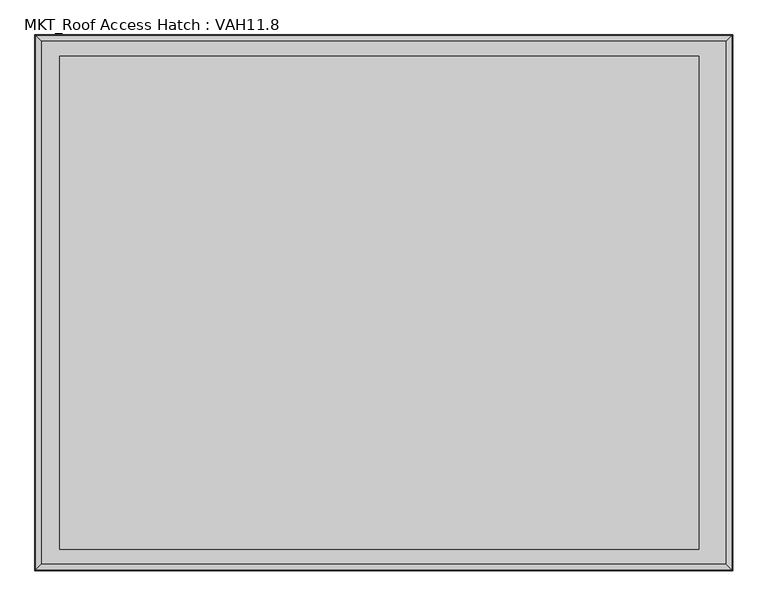
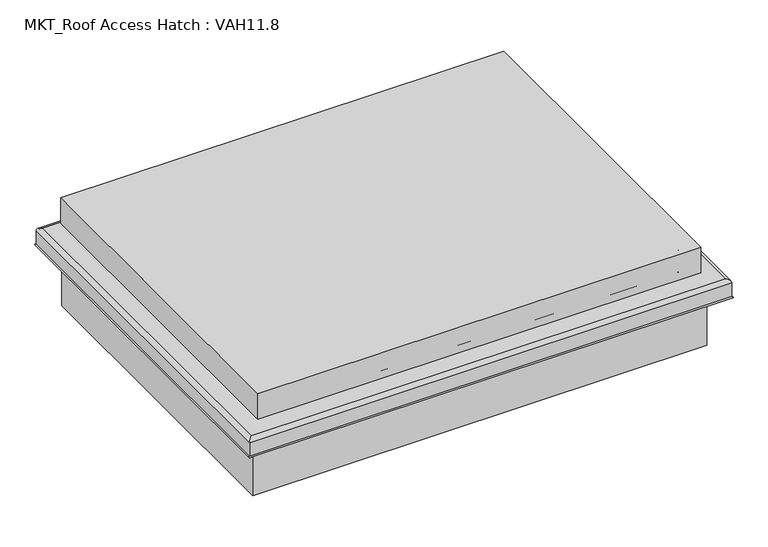
"""IFC4 building model written with IfcOpenShell, lengths in millimetres: proxy geometry, MKT_Roof Access Hatch : VAH11.8."""

from ifc_helpers import new_model, si_unit, point, frame, frame_2d, origin, origin_with_axes, place, context, project, spatial, polyline, circle_curve, ellipse_curve, trimmed, segment, composite_curve, outline, extrude, faceted_brep, source, transform, mapped, element, save
from ifc_brep_helpers import plane_surface, cylinder_surface, revolved_surface, advanced_brep


def mkt_roof_access_hatch_vah11_8_9d1d9c58(model_context):
    return source(origin(), model_context, "Body", "SolidModel", [
        faceted_brep([(581.6, -455.0, 292.0), (581.6, 455.0, 292.0), (-598.4, 455.0, 292.0), (-598.4, -455.0, 292.0), (581.6, -455.0, 220.0), (-598.4, -455.0, 220.0), (-598.4, 455.0, 220.0), (581.6, 455.0, 220.0), (576.6, -450.0, 220.0), (576.6, 450.0, 220.0), (-593.4, 450.0, 220.0), (-593.4, -450.0, 220.0), (576.6, -450.0, 268.0), (-593.4, -450.0, 268.0), (-593.4, 450.0, 268.0), (576.6, 450.0, 268.0)], [[[0, 1, 2, 3]], [[4, 5, 6, 7], [8, 9, 10, 11]], [[1, 0, 4, 7]], [[2, 1, 7, 6]], [[3, 2, 6, 5]], [[0, 3, 5, 4]], [[12, 13, 14, 15]], [[12, 15, 9, 8]], [[15, 14, 10, 9]], [[14, 13, 11, 10]], [[13, 12, 8, 11]]]),
        extrude(outline(composite_curve([segment(polyline([(261.5, 563.4), (261.5, 554.5), (259.5, 554.5), (259.5, 563.4)]), True, "CONTINUOUS"), segment(trimmed(circle_curve(frame_2d((256.9, 563.4)), 2.6), [point((259.5, 563.4))], [point((256.9, 566.0))], True, "CARTESIAN"), True, "CONTINUOUS"), segment(polyline([(256.9, 566.0), (207.1, 566.0)]), True, "CONTINUOUS"), segment(trimmed(circle_curve(frame_2d((207.1, 563.4)), 2.6), [point((207.1, 566.0))], [point((204.5, 563.4))], True, "CARTESIAN"), True, "CONTINUOUS"), segment(polyline([(204.5, 563.4), (204.5, 554.5), (202.5, 554.5), (202.5, 563.4)]), True, "CONTINUOUS"), segment(trimmed(circle_curve(frame_2d((207.1, 563.4)), 4.6), [point((202.5, 563.4))], [point((207.1, 568.0))], False, "CARTESIAN"), True, "CONTINUOUS"), segment(polyline([(207.1, 568.0), (256.9, 568.0)]), True, "CONTINUOUS"), segment(trimmed(circle_curve(frame_2d((256.9, 563.4)), 4.6), [point((256.9, 568.0))], [point((261.5, 563.4))], False, "CARTESIAN"), True, "CONTINUOUS")], self_intersect=False)), frame((0.0, -410.0, 0.0), z_axis=(0.0, 1.0, 0.0), x_axis=(0.0, 0.0, 1.0)), (0.0, 0.0, 1.0), 820.0),
        extrude(outline(polyline([(605.0, 439.4933468), (605.0, -442.0066532), (-605.0, -442.0066532), (-605.0, 439.4933468), (605.0, 439.4933468)]), holes=[polyline([(560.0, 410.0), (-560.0, 410.0), (-560.0, -410.0), (560.0, -410.0), (560.0, 410.0)])]), origin_with_axes(), (0.0, 0.0, 1.0), 199.5),
        advanced_brep(
        [(555.0, 405.0, 265.0), (550.0, 400.0, 260.0), (550.0, -400.0, 260.0), (555.0, -405.0, 265.0), (564.6688612, 414.6688612, 262.5), (566.25, 416.25, 265.0), (566.25, -416.25, 265.0), (564.6688612, -414.6688612, 262.5), (552.5, 402.5, 260.0), (555.0, 405.0, 262.5), (555.0, -405.0, 262.5), (552.5, -402.5, 260.0), (552.5, 402.5, 205.5), (552.5, -402.5, 205.5), (555.5, 405.5, 202.5), (555.5, -405.5, 202.5), (642.5, 492.5, 192.5), (632.5, 482.5, 202.5), (632.5, -482.5, 202.5), (642.5, -492.5, 192.5), (642.5, 492.5, 154.9494897), (642.5, -492.5, 154.9494897), (639.5, 489.5, 152.5), (639.5, -489.5, 152.5), (639.5, 489.5, 192.5), (639.5, -489.5, 192.5), (632.5, 482.5, 199.5), (632.5, -482.5, 199.5), (552.5, 402.5, 198.5), (553.5, 403.5, 199.5), (553.5, -403.5, 199.5), (552.5, -402.5, 198.5), (552.5, 402.5, 150.0), (552.5, -402.5, 150.0), (550.0, 400.0, 150.0), (550.0, -400.0, 150.0), (-550.0, -400.0, 260.0), (-555.0, -405.0, 265.0), (-566.25, -416.25, 265.0), (-564.6688612, -414.6688612, 262.5), (-555.0, -405.0, 262.5), (-552.5, -402.5, 260.0), (-552.5, -402.5, 205.5), (-555.5, -405.5, 202.5), (-632.5, -482.5, 202.5), (-642.5, -492.5, 192.5), (-642.5, -492.5, 154.9494897), (-639.5, -489.5, 152.5), (-639.5, -489.5, 192.5), (-632.5, -482.5, 199.5), (-553.5, -403.5, 199.5), (-552.5, -402.5, 198.5), (-552.5, -402.5, 150.0), (-550.0, -400.0, 150.0), (-550.0, 400.0, 260.0), (-555.0, 405.0, 265.0), (-566.25, 416.25, 265.0), (-564.6688612, 414.6688612, 262.5), (-555.0, 405.0, 262.5), (-552.5, 402.5, 260.0), (-552.5, 402.5, 205.5), (-555.5, 405.5, 202.5), (-632.5, 482.5, 202.5), (-642.5, 492.5, 192.5), (-642.5, 492.5, 154.9494897), (-639.5, 489.5, 152.5), (-639.5, 489.5, 192.5), (-632.5, 482.5, 199.5), (-553.5, 403.5, 199.5), (-552.5, 402.5, 198.5), (-552.5, 402.5, 150.0), (-550.0, 400.0, 150.0)],
        [
            (0, 1, ellipse_curve(frame((555.0, 405.0, 260.0), z_axis=(0.7071067811865475, -0.7071067811865475, 0.0), x_axis=(0.7071067811865474, 0.7071067811865476, 0.0)), 7.0710678, 5.0)),
            (1, 2),
            (2, 3, ellipse_curve(frame((555.0, -405.0, 260.0), z_axis=(0.7071067811865475, 0.7071067811865475, 0.0), x_axis=(-0.7071067811865474, 0.7071067811865476, 0.0)), 7.0710678, 5.0)),
            (3, 0),
            (4, 5, ellipse_curve(frame((566.25, 416.25, 263.25), z_axis=(0.7071067811865475, -0.7071067811865475, 0.0), x_axis=(0.7071067811865474, 0.7071067811865476, 0.0)), 2.4748737, 1.75)),
            (5, 6),
            (6, 7, ellipse_curve(frame((566.25, -416.25, 263.25), z_axis=(0.7071067811865475, 0.7071067811865475, 0.0), x_axis=(-0.7071067811865474, 0.7071067811865476, 0.0)), 2.4748737, 1.75)),
            (7, 4),
            (8, 9, ellipse_curve(frame((555.0, 405.0, 260.0), z_axis=(-0.7071067811865475, 0.7071067811865475, 0.0), x_axis=(-0.7071067811865474, -0.7071067811865476, 0.0)), 3.5355339, 2.5)),
            (9, 10),
            (10, 11, ellipse_curve(frame((555.0, -405.0, 260.0), z_axis=(-0.7071067811865475, -0.7071067811865475, 0.0), x_axis=(0.7071067811865474, -0.7071067811865476, 0.0)), 3.5355339, 2.5)),
            (11, 8),
            (12, 8),
            (11, 13),
            (13, 12),
            (14, 12, ellipse_curve(frame((555.5, 405.5, 205.5), z_axis=(-0.7071067811865475, 0.7071067811865475, 0.0), x_axis=(-0.7071067811865474, -0.7071067811865476, 0.0)), 4.2426407, 3.0)),
            (13, 15, ellipse_curve(frame((555.5, -405.5, 205.5), z_axis=(-0.7071067811865475, -0.7071067811865475, 0.0), x_axis=(0.7071067811865474, -0.7071067811865476, 0.0)), 4.2426407, 3.0)),
            (15, 14),
            (16, 17, ellipse_curve(frame((632.5, 482.5, 192.5), z_axis=(0.7071067811865475, -0.7071067811865475, 0.0), x_axis=(0.7071067811865474, 0.7071067811865476, 0.0)), 14.1421356, 10.0)),
            (17, 18),
            (18, 19, ellipse_curve(frame((632.5, -482.5, 192.5), z_axis=(0.7071067811865475, 0.7071067811865475, 0.0), x_axis=(-0.7071067811865474, 0.7071067811865476, 0.0)), 14.1421356, 10.0)),
            (19, 16),
            (20, 16),
            (19, 21),
            (21, 20),
            (22, 20, ellipse_curve(frame((642.0, 492.0, 152.5), z_axis=(0.7071067811865475, -0.7071067811865475, 0.0), x_axis=(0.7071067811865474, 0.7071067811865476, 0.0)), 3.5355339, 2.5)),
            (21, 23, ellipse_curve(frame((642.0, -492.0, 152.5), z_axis=(0.7071067811865475, 0.7071067811865475, 0.0), x_axis=(-0.7071067811865474, 0.7071067811865476, 0.0)), 3.5355339, 2.5)),
            (23, 22),
            (24, 22),
            (23, 25),
            (25, 24),
            (26, 24, ellipse_curve(frame((632.5, 482.5, 192.5), z_axis=(-0.7071067811865475, 0.7071067811865475, 0.0), x_axis=(-0.7071067811865474, -0.7071067811865476, 0.0)), 9.8994949, 7.0)),
            (25, 27, ellipse_curve(frame((632.5, -482.5, 192.5), z_axis=(-0.7071067811865475, -0.7071067811865475, 0.0), x_axis=(0.7071067811865474, -0.7071067811865476, 0.0)), 9.8994949, 7.0)),
            (27, 26),
            (28, 29, ellipse_curve(frame((553.5, 403.5, 198.5), z_axis=(-0.7071067811865475, 0.7071067811865475, 0.0), x_axis=(-0.7071067811865474, -0.7071067811865476, 0.0)), 1.4142136, 1.0)),
            (29, 30),
            (30, 31, ellipse_curve(frame((553.5, -403.5, 198.5), z_axis=(-0.7071067811865475, -0.7071067811865475, 0.0), x_axis=(0.7071067811865474, -0.7071067811865476, 0.0)), 1.4142136, 1.0)),
            (31, 28),
            (32, 28),
            (31, 33),
            (33, 32),
            (1, 34),
            (34, 35),
            (35, 2),
            (2, 36),
            (36, 37, ellipse_curve(frame((-555.0, -405.0, 260.0), z_axis=(0.7071067811865475, -0.7071067811865475, 0.0), x_axis=(0.7071067811865476, 0.7071067811865474, 0.0)), 7.0710678, 5.0)),
            (37, 3),
            (6, 38),
            (38, 39, ellipse_curve(frame((-566.25, -416.25, 263.25), z_axis=(0.7071067811865475, -0.7071067811865475, 0.0), x_axis=(0.7071067811865476, 0.7071067811865474, 0.0)), 2.4748737, 1.75)),
            (39, 7),
            (10, 40),
            (40, 41, ellipse_curve(frame((-555.0, -405.0, 260.0), z_axis=(-0.7071067811865475, 0.7071067811865475, 0.0), x_axis=(-0.7071067811865476, -0.7071067811865474, 0.0)), 3.5355339, 2.5)),
            (41, 11),
            (41, 42),
            (42, 13),
            (42, 43, ellipse_curve(frame((-555.5, -405.5, 205.5), z_axis=(-0.7071067811865475, 0.7071067811865475, 0.0), x_axis=(-0.7071067811865476, -0.7071067811865474, 0.0)), 4.2426407, 3.0)),
            (43, 15),
            (18, 44),
            (44, 45, ellipse_curve(frame((-632.5, -482.5, 192.5), z_axis=(0.7071067811865475, -0.7071067811865475, 0.0), x_axis=(0.7071067811865476, 0.7071067811865474, 0.0)), 14.1421356, 10.0)),
            (45, 19),
            (45, 46),
            (46, 21),
            (46, 47, ellipse_curve(frame((-642.0, -492.0, 152.5), z_axis=(0.7071067811865475, -0.7071067811865475, 0.0), x_axis=(0.7071067811865476, 0.7071067811865474, 0.0)), 3.5355339, 2.5)),
            (47, 23),
            (47, 48),
            (48, 25),
            (48, 49, ellipse_curve(frame((-632.5, -482.5, 192.5), z_axis=(-0.7071067811865475, 0.7071067811865475, 0.0), x_axis=(-0.7071067811865476, -0.7071067811865474, 0.0)), 9.8994949, 7.0)),
            (49, 27),
            (30, 50),
            (50, 51, ellipse_curve(frame((-553.5, -403.5, 198.5), z_axis=(-0.7071067811865475, 0.7071067811865475, 0.0), x_axis=(-0.7071067811865476, -0.7071067811865474, 0.0)), 1.4142136, 1.0)),
            (51, 31),
            (51, 52),
            (52, 33),
            (35, 53),
            (53, 36),
            (36, 54),
            (54, 55, ellipse_curve(frame((-555.0, 405.0, 260.0), z_axis=(-0.7071067811865475, -0.7071067811865475, 0.0), x_axis=(0.7071067811865474, -0.7071067811865476, 0.0)), 7.0710678, 5.0)),
            (55, 37),
            (38, 56),
            (56, 57, ellipse_curve(frame((-566.25, 416.25, 263.25), z_axis=(-0.7071067811865475, -0.7071067811865475, 0.0), x_axis=(0.7071067811865474, -0.7071067811865476, 0.0)), 2.4748737, 1.75)),
            (57, 39),
            (40, 58),
            (58, 59, ellipse_curve(frame((-555.0, 405.0, 260.0), z_axis=(0.7071067811865475, 0.7071067811865475, 0.0), x_axis=(-0.7071067811865474, 0.7071067811865476, 0.0)), 3.5355339, 2.5)),
            (59, 41),
            (59, 60),
            (60, 42),
            (60, 61, ellipse_curve(frame((-555.5, 405.5, 205.5), z_axis=(0.7071067811865475, 0.7071067811865475, 0.0), x_axis=(-0.7071067811865474, 0.7071067811865476, 0.0)), 4.2426407, 3.0)),
            (61, 43),
            (44, 62),
            (62, 63, ellipse_curve(frame((-632.5, 482.5, 192.5), z_axis=(-0.7071067811865475, -0.7071067811865475, 0.0), x_axis=(0.7071067811865474, -0.7071067811865476, 0.0)), 14.1421356, 10.0)),
            (63, 45),
            (63, 64),
            (64, 46),
            (64, 65, ellipse_curve(frame((-642.0, 492.0, 152.5), z_axis=(-0.7071067811865475, -0.7071067811865475, 0.0), x_axis=(0.7071067811865474, -0.7071067811865476, 0.0)), 3.5355339, 2.5)),
            (65, 47),
            (65, 66),
            (66, 48),
            (66, 67, ellipse_curve(frame((-632.5, 482.5, 192.5), z_axis=(0.7071067811865475, 0.7071067811865475, 0.0), x_axis=(-0.7071067811865474, 0.7071067811865476, 0.0)), 9.8994949, 7.0)),
            (67, 49),
            (50, 68),
            (68, 69, ellipse_curve(frame((-553.5, 403.5, 198.5), z_axis=(0.7071067811865475, 0.7071067811865475, 0.0), x_axis=(-0.7071067811865474, 0.7071067811865476, 0.0)), 1.4142136, 1.0)),
            (69, 51),
            (69, 70),
            (70, 52),
            (53, 71),
            (71, 54),
            (54, 1),
            (0, 55),
            (5, 56),
            (4, 57),
            (9, 58),
            (8, 59),
            (12, 60),
            (14, 61),
            (17, 62),
            (16, 63),
            (20, 64),
            (22, 65),
            (24, 66),
            (26, 67),
            (29, 68),
            (28, 69),
            (32, 70),
            (34, 71),
        ],
        [
            cylinder_surface(frame((555.0, 494.5, 260.0), z_axis=(0.0, 1.0, 0.0), x_axis=(-1.0, 0.0, 0.0)), 5.0),
            cylinder_surface(frame((566.25, 494.5, 263.25), z_axis=(0.0, 1.0, 0.0), x_axis=(-1.0, 0.0, 0.0)), 1.75),
            revolved_surface(polyline([(552.5, -407.49999999580496, 260.0), (552.5, 407.49999999580496, 260.0)]), (555.0, 494.5, 260.0), (0.0, -1.0, 0.0)),
            plane_surface(frame((552.5, 402.5, 260.0), z_axis=(1.0, 0.0, 0.0), x_axis=(0.0, -1.0, 0.0))),
            revolved_surface(polyline([(552.5, -408.500000009108, 205.5), (552.5, 408.500000009108, 205.5)]), (555.5, 494.5, 205.5), (0.0, -1.0, 0.0)),
            cylinder_surface(frame((632.5, 494.5, 192.5), z_axis=(0.0, 1.0, 0.0), x_axis=(-1.0, 0.0, 0.0)), 10.0),
            plane_surface(frame((642.5, 492.5, 192.5), z_axis=(1.0, 0.0, 0.0), x_axis=(0.0, -1.0, 0.0))),
            cylinder_surface(frame((642.0, 494.5, 152.5), z_axis=(0.0, 1.0, 0.0), x_axis=(-1.0, 0.0, 0.0)), 2.5),
            plane_surface(frame((639.5, 489.5, 152.5), z_axis=(-1.0, 0.0, 0.0), x_axis=(0.0, -1.0, 0.0))),
            revolved_surface(polyline([(625.5, -489.5, 192.5), (625.5, 489.5, 192.5)]), (632.5, 494.5, 192.5), (0.0, -1.0, 0.0)),
            revolved_surface(polyline([(552.5, -404.50000002660624, 198.5), (552.5, 404.50000002660624, 198.5)]), (553.5, 494.5, 198.5), (0.0, -1.0, 0.0)),
            plane_surface(frame((552.5, 402.5, 198.5), z_axis=(1.0, 0.0, 0.0), x_axis=(0.0, -1.0, 0.0))),
            plane_surface(frame((550.0, 400.0, 150.0), z_axis=(-1.0, 0.0, 0.0), x_axis=(0.0, -1.0, 0.0))),
            cylinder_surface(frame((644.5, -405.0, 260.0), z_axis=(1.0, 0.0, 0.0), x_axis=(0.0, 1.0, 0.0)), 5.0),
            cylinder_surface(frame((644.5, -416.25, 263.25), z_axis=(1.0, 0.0, 0.0), x_axis=(0.0, 1.0, 0.0)), 1.75),
            revolved_surface(polyline([(-557.499999995805, -402.5, 260.0), (557.499999995805, -402.5, 260.0)]), (644.5, -405.0, 260.0), (-1.0, 0.0, 0.0)),
            plane_surface(frame((552.5, -402.5, 260.0), z_axis=(0.0, -1.0, 0.0), x_axis=(-1.0, 0.0, 0.0))),
            revolved_surface(polyline([(-558.5000000091081, -402.5, 205.5), (558.500000009108, -402.5, 205.5)]), (644.5, -405.5, 205.5), (-1.0, 0.0, 0.0)),
            cylinder_surface(frame((644.5, -482.5, 192.5), z_axis=(1.0, 0.0, 0.0), x_axis=(0.0, 1.0, 0.0)), 10.0),
            plane_surface(frame((642.5, -492.5, 192.5), z_axis=(0.0, -1.0, 0.0), x_axis=(-1.0, 0.0, 0.0))),
            cylinder_surface(frame((644.5, -492.0, 152.5), z_axis=(1.0, 0.0, 0.0), x_axis=(0.0, 1.0, 0.0)), 2.5),
            plane_surface(frame((639.5, -489.5, 152.5), z_axis=(0.0, 1.0, 0.0), x_axis=(-1.0, 0.0, 0.0))),
            revolved_surface(polyline([(-639.5, -475.5, 192.5), (639.5, -475.5, 192.5)]), (644.5, -482.5, 192.5), (-1.0, 0.0, 0.0)),
            revolved_surface(polyline([(-554.5000000266061, -402.5, 198.5), (554.5000000266062, -402.5, 198.5)]), (644.5, -403.5, 198.5), (-1.0, 0.0, 0.0)),
            plane_surface(frame((552.5, -402.5, 198.5), z_axis=(0.0, -1.0, 0.0), x_axis=(-1.0, 0.0, 0.0))),
            plane_surface(frame((550.0, -400.0, 150.0), z_axis=(0.0, 1.0, 0.0), x_axis=(-1.0, 0.0, 0.0))),
            cylinder_surface(frame((-555.0, -494.5, 260.0), z_axis=(0.0, -1.0, 0.0), x_axis=(1.0, 0.0, 0.0)), 5.0),
            cylinder_surface(frame((-566.25, -494.5, 263.25), z_axis=(0.0, -1.0, 0.0), x_axis=(1.0, 0.0, 0.0)), 1.75),
            revolved_surface(polyline([(-552.5, 407.49999999580496, 260.0), (-552.5, -407.49999999580496, 260.0)]), (-555.0, -494.5, 260.0), (0.0, 1.0, 0.0)),
            plane_surface(frame((-552.5, -402.5, 260.0), z_axis=(-1.0, 0.0, 0.0), x_axis=(0.0, 1.0, 0.0))),
            revolved_surface(polyline([(-552.5, 408.500000009108, 205.5), (-552.5, -408.500000009108, 205.5)]), (-555.5, -494.5, 205.5), (0.0, 1.0, 0.0)),
            cylinder_surface(frame((-632.5, -494.5, 192.5), z_axis=(0.0, -1.0, 0.0), x_axis=(1.0, 0.0, 0.0)), 10.0),
            plane_surface(frame((-642.5, -492.5, 192.5), z_axis=(-1.0, 0.0, 0.0), x_axis=(0.0, 1.0, 0.0))),
            cylinder_surface(frame((-642.0, -494.5, 152.5), z_axis=(0.0, -1.0, 0.0), x_axis=(1.0, 0.0, 0.0)), 2.5),
            plane_surface(frame((-639.5, -489.5, 152.5), z_axis=(1.0, 0.0, 0.0), x_axis=(0.0, 1.0, 0.0))),
            revolved_surface(polyline([(-625.5, 489.5, 192.5), (-625.5, -489.5, 192.5)]), (-632.5, -494.5, 192.5), (0.0, 1.0, 0.0)),
            revolved_surface(polyline([(-552.5, 404.50000002660624, 198.5), (-552.5, -404.50000002660624, 198.5)]), (-553.5, -494.5, 198.5), (0.0, 1.0, 0.0)),
            plane_surface(frame((-552.5, -402.5, 198.5), z_axis=(-1.0, 0.0, 0.0), x_axis=(0.0, 1.0, 0.0))),
            plane_surface(frame((-550.0, -400.0, 150.0), z_axis=(1.0, 0.0, 0.0), x_axis=(0.0, 1.0, 0.0))),
            cylinder_surface(frame((-644.5, 405.0, 260.0), z_axis=(-1.0, 0.0, 0.0), x_axis=(0.0, -1.0, 0.0)), 5.0),
            plane_surface(frame((-555.0, 405.0, 265.0), z_axis=(0.0, 0.0, 1.0), x_axis=(1.0, 0.0, 0.0))),
            cylinder_surface(frame((-644.5, 416.25, 263.25), z_axis=(-1.0, 0.0, 0.0), x_axis=(0.0, -1.0, 0.0)), 1.75),
            plane_surface(frame((-564.6688612, 414.6688612, 262.5), z_axis=(0.0, 0.0, -1.0), x_axis=(1.0, 0.0, 0.0))),
            revolved_surface(polyline([(557.499999995805, 402.5, 260.0), (-557.499999995805, 402.5, 260.0)]), (-644.5, 405.0, 260.0), (1.0, 0.0, 0.0)),
            plane_surface(frame((-552.5, 402.5, 260.0), z_axis=(0.0, 1.0, 0.0), x_axis=(1.0, 0.0, 0.0))),
            revolved_surface(polyline([(558.5000000091081, 402.5, 205.5), (-558.500000009108, 402.5, 205.5)]), (-644.5, 405.5, 205.5), (1.0, 0.0, 0.0)),
            plane_surface(frame((-555.5, 405.5, 202.5), z_axis=(0.0, 0.0, 1.0), x_axis=(1.0, 0.0, 0.0))),
            cylinder_surface(frame((-644.5, 482.5, 192.5), z_axis=(-1.0, 0.0, 0.0), x_axis=(0.0, -1.0, 0.0)), 10.0),
            plane_surface(frame((-642.5, 492.5, 192.5), z_axis=(0.0, 1.0, 0.0), x_axis=(1.0, 0.0, 0.0))),
            cylinder_surface(frame((-644.5, 492.0, 152.5), z_axis=(-1.0, 0.0, 0.0), x_axis=(0.0, -1.0, 0.0)), 2.5),
            plane_surface(frame((-639.5, 489.5, 152.5), z_axis=(0.0, -1.0, 0.0), x_axis=(1.0, 0.0, 0.0))),
            revolved_surface(polyline([(639.5, 475.5, 192.5), (-639.5, 475.5, 192.5)]), (-644.5, 482.5, 192.5), (1.0, 0.0, 0.0)),
            plane_surface(frame((-632.5, 482.5, 199.5), z_axis=(0.0, 0.0, -1.0), x_axis=(1.0, 0.0, 0.0))),
            revolved_surface(polyline([(554.5000000266061, 402.5, 198.5), (-554.5000000266062, 402.5, 198.5)]), (-644.5, 403.5, 198.5), (1.0, 0.0, 0.0)),
            plane_surface(frame((-552.5, 402.5, 198.5), z_axis=(0.0, 1.0, 0.0), x_axis=(1.0, 0.0, 0.0))),
            plane_surface(frame((-552.5, 402.5, 150.0), z_axis=(0.0, 0.0, -1.0), x_axis=(1.0, 0.0, 0.0))),
            plane_surface(frame((-550.0, 400.0, 150.0), z_axis=(0.0, -1.0, 0.0), x_axis=(1.0, 0.0, 0.0))),
        ],
        [
            (0, [[1, 2, 3, 4]]),
            (1, [[5, 6, 7, 8]]),
            (2, [[9, 10, 11, 12]]),
            (3, [[13, -12, 14, 15]]),
            (4, [[16, -15, 17, 18]]),
            (5, [[19, 20, 21, 22]]),
            (6, [[23, -22, 24, 25]]),
            (7, [[26, -25, 27, 28]]),
            (8, [[29, -28, 30, 31]]),
            (9, [[32, -31, 33, 34]]),
            (10, [[35, 36, 37, 38]]),
            (11, [[39, -38, 40, 41]]),
            (12, [[42, 43, 44, -2]]),
            (13, [[-3, 45, 46, 47]]),
            (14, [[-7, 48, 49, 50]]),
            (15, [[-11, 51, 52, 53]]),
            (16, [[-14, -53, 54, 55]]),
            (17, [[-17, -55, 56, 57]]),
            (18, [[-21, 58, 59, 60]]),
            (19, [[-24, -60, 61, 62]]),
            (20, [[-27, -62, 63, 64]]),
            (21, [[-30, -64, 65, 66]]),
            (22, [[-33, -66, 67, 68]]),
            (23, [[-37, 69, 70, 71]]),
            (24, [[-40, -71, 72, 73]]),
            (25, [[-44, 74, 75, -45]]),
            (26, [[-46, 76, 77, 78]]),
            (27, [[-49, 79, 80, 81]]),
            (28, [[-52, 82, 83, 84]]),
            (29, [[-54, -84, 85, 86]]),
            (30, [[-56, -86, 87, 88]]),
            (31, [[-59, 89, 90, 91]]),
            (32, [[-61, -91, 92, 93]]),
            (33, [[-63, -93, 94, 95]]),
            (34, [[-65, -95, 96, 97]]),
            (35, [[-67, -97, 98, 99]]),
            (36, [[-70, 100, 101, 102]]),
            (37, [[-72, -102, 103, 104]]),
            (38, [[-75, 105, 106, -76]]),
            (39, [[-77, 107, -1, 108]]),
            (40, [[109, -79, -48, -6], [-47, -78, -108, -4]]),
            (41, [[-80, -109, -5, 110]]),
            (42, [[-50, -81, -110, -8], [111, -82, -51, -10]]),
            (43, [[-83, -111, -9, 112]]),
            (44, [[-85, -112, -13, 113]]),
            (45, [[-87, -113, -16, 114]]),
            (46, [[115, -89, -58, -20], [-57, -88, -114, -18]]),
            (47, [[-90, -115, -19, 116]]),
            (48, [[-92, -116, -23, 117]]),
            (49, [[-94, -117, -26, 118]]),
            (50, [[-96, -118, -29, 119]]),
            (51, [[-98, -119, -32, 120]]),
            (52, [[-68, -99, -120, -34], [121, -100, -69, -36]]),
            (53, [[-101, -121, -35, 122]]),
            (54, [[-103, -122, -39, 123]]),
            (55, [[-73, -104, -123, -41], [124, -105, -74, -43]]),
            (56, [[-106, -124, -42, -107]]),
        ],
    ),
    ])


if __name__ == "__main__":
    model = new_model("IFC4")
    model_context = context("Model", 3, world=origin())
    ifc_project = project(units=[si_unit("LENGTHUNIT", "METRE", prefix="MILLI")], contexts=[model_context])
    site = spatial("IfcSite", under=ifc_project)
    building = spatial("IfcBuilding", under=site)
    placement = place(None, origin())
    mkt_roof_access_hatch_vah11_8_shape = mkt_roof_access_hatch_vah11_8_9d1d9c58(model_context)
    element("IfcBuildingElementProxy", 1, Name="MKT_Roof Access Hatch : VAH11.8", ObjectType="MKT_Roof Access Hatch : VAH11.8", at=placement, inside=building, context=model_context, shape_type="MappedRepresentation", body=[
        mapped(mkt_roof_access_hatch_vah11_8_shape, transform((0.0, 0.0, 0.0), x_axis=(1.0, 0.0, 0.0), y_axis=(0.0, 1.0, 0.0), z_axis=(0.0, 0.0, 1.0))),
    ])
    save(model, "model.ifc")
